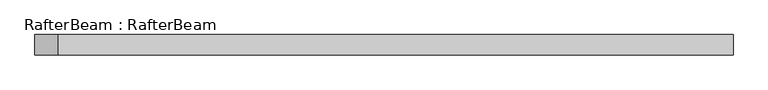
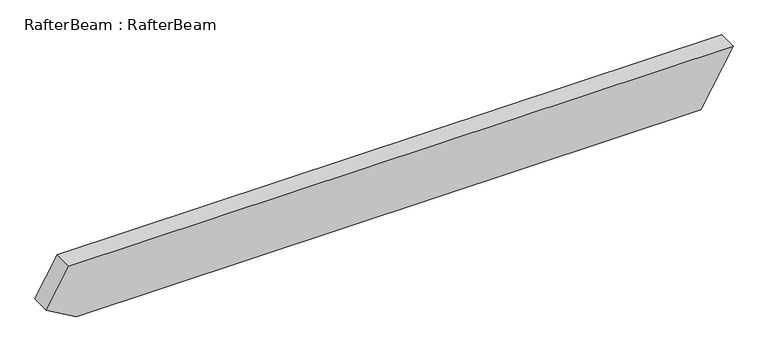
"""IFC4 building model written with IfcOpenShell, lengths in millimetres: beam geometry, RafterBeam : RafterBeam."""

from ifc_helpers import new_model, si_unit, frame, origin, place, context, project, spatial, polyline, outline, extrude, source, transform, mapped, element, save


def rafterbeam_rafterbeam_898f4922(model_context):
    return source(origin(), model_context, "Body", "SweptSolid", [
        extrude(outline(polyline([(-70.0, 750.5553499), (70.0, 831.3843876), (70.0, -831.3843876), (-26.6987298, -887.2134253), (-70.0, -812.2134253), (-70.0, 750.5553499)])), frame((0.0, -25.0, 0.0), z_axis=(0.0, 1.0, 0.0), x_axis=(0.0, 0.0, 1.0)), (0.0, 0.0, 1.0), 50.0),
    ])


if __name__ == "__main__":
    model = new_model("IFC4")
    model_context = context("Model", 3, world=origin())
    ifc_project = project(units=[si_unit("LENGTHUNIT", "METRE", prefix="MILLI")], contexts=[model_context])
    site = spatial("IfcSite", under=ifc_project)
    building = spatial("IfcBuilding", under=site)
    placement = place(None, origin())
    rafterbeam_rafterbeam_shape = rafterbeam_rafterbeam_898f4922(model_context)
    element("IfcBeam", 1, ObjectType="RafterBeam : RafterBeam", at=placement, inside=building, context=model_context, shape_type="MappedRepresentation", body=[
        mapped(rafterbeam_rafterbeam_shape, transform((0.0, 0.0, 0.0), x_axis=(1.0, 0.0, 0.0), y_axis=(0.0, 1.0, 0.0), z_axis=(0.0, 0.0, 1.0))),
    ])
    save(model, "model.ifc")
